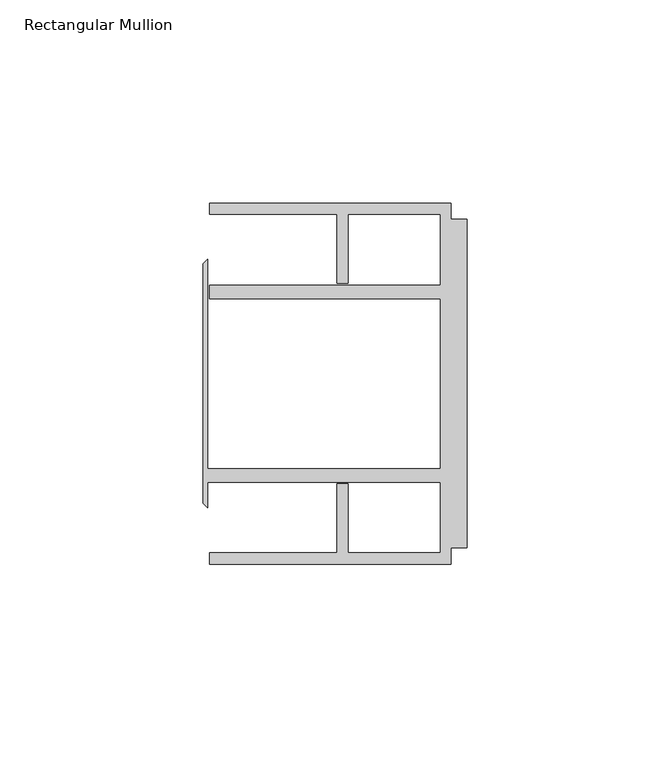
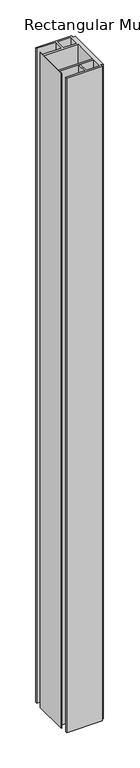
"""IFC4 building model written with IfcOpenShell, lengths in millimetres: member geometry, Rectangular Mullion."""

from ifc_helpers import new_model, si_unit, frame, origin, place, context, project, spatial, polyline, outline, extrude, source, transform, mapped, element, save


def rectangular_mullion_745b8d5c(model_context):
    return source(origin(), model_context, "Body", "SweptSolid", [
        extrude(outline(polyline([(-4.0000001, 44.45), (-4.0000001, 40.4500013), (0.0, 40.4500013), (0.0, -40.4500013), (-4.0000001, -40.4500013), (-4.0000001, -44.45), (-63.5, -44.45), (-63.5, -41.6500013), (-32.0000002, -41.6500013), (-32.0000002, -24.6468758), (-29.4000001, -24.6468758), (-29.4000001, -41.6500013), (-6.6000002, -41.6500013), (-6.6000002, -24.2500008), (-63.9424102, -24.2500008), (-63.9424102, -30.6159585), (-65.0875, -29.4708687), (-65.0875, 29.4708687), (-63.9424102, 30.6159585), (-63.9424102, -20.9500007), (-6.6000002, -20.9500007), (-6.6000002, 20.9500007), (-63.5, 20.9500007), (-63.5, 24.2500008), (-6.6000002, 24.2500008), (-6.6000002, 41.6500013), (-29.4000001, 41.6500013), (-29.4000001, 24.6468758), (-32.0000002, 24.6468758), (-32.0000002, 41.6500013), (-63.5, 41.6500013), (-63.5, 44.45), (-4.0000001, 44.45)])), frame((0.0, 0.0, -1154.1125), z_axis=(0.0, 0.0, 1.0), x_axis=(1.0, 0.0, 0.0)), (0.0, 0.0, 1.0), 1154.1125),
    ])


if __name__ == "__main__":
    model = new_model("IFC4")
    model_context = context("Model", 3, world=origin())
    ifc_project = project(units=[si_unit("LENGTHUNIT", "METRE", prefix="MILLI")], contexts=[model_context])
    site = spatial("IfcSite", under=ifc_project)
    building = spatial("IfcBuilding", under=site)
    placement = place(None, origin())
    rectangular_mullion_shape = rectangular_mullion_745b8d5c(model_context)
    element("IfcMember", 1, ObjectType="Rectangular Mullion", at=placement, inside=building, context=model_context, shape_type="MappedRepresentation", body=[
        mapped(rectangular_mullion_shape, transform((0.0, 0.0, 0.0), x_axis=(1.0, 0.0, 0.0), y_axis=(0.0, 1.0, 0.0), z_axis=(0.0, 0.0, 1.0))),
    ])
    save(model, "model.ifc")
